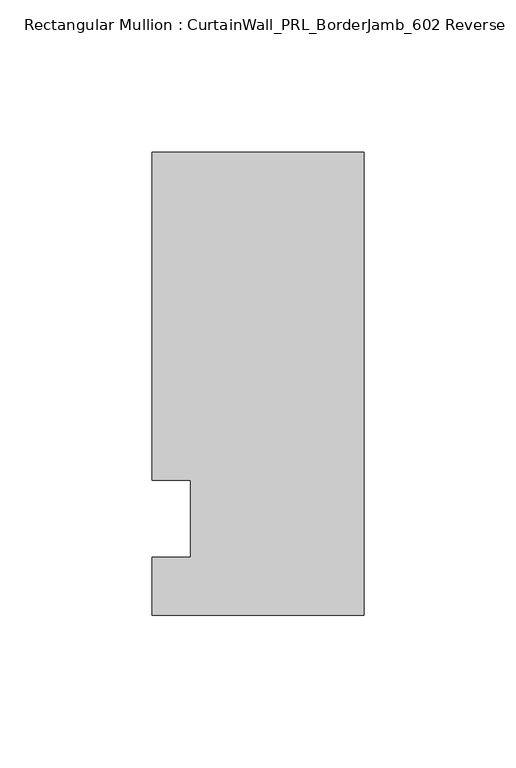
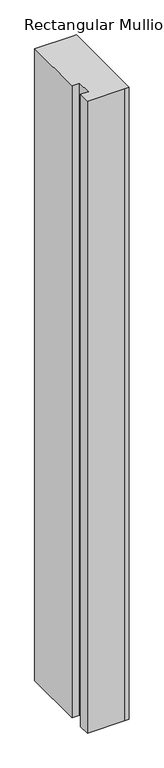
"""IFC4 building model written with IfcOpenShell, lengths in millimetres: member geometry, Rectangular Mullion : CurtainWall_PRL_BorderJamb_602 Reverse."""

from ifc_helpers import new_model, si_unit, frame, origin, place, context, project, spatial, polyline, outline, extrude, source, transform, mapped, element, save


def rectangular_mullion_curtainwall_prl_borderjamb_602_reverse_219b8055(model_context):
    return source(origin(), model_context, "Body", "SweptSolid", [
        extrude(outline(polyline([(-57.15, 12.7), (-69.85, 12.7), (-69.85, 120.65), (-6.35, 120.65), (0.0, 120.65), (0.0, -31.75), (-7.3958824, -31.75), (-69.85, -31.75), (-69.85, -12.7), (-57.15, -12.7), (-57.15, 12.7)])), frame((0.0, 0.0, -1117.6), z_axis=(0.0, 0.0, 1.0), x_axis=(1.0, 0.0, 0.0)), (0.0, 0.0, 1.0), 1117.6),
    ])


if __name__ == "__main__":
    model = new_model("IFC4")
    model_context = context("Model", 3, world=origin())
    ifc_project = project(units=[si_unit("LENGTHUNIT", "METRE", prefix="MILLI")], contexts=[model_context])
    site = spatial("IfcSite", under=ifc_project)
    building = spatial("IfcBuilding", under=site)
    placement = place(None, origin())
    rectangular_mullion_curtainwall_prl_borderjamb_602_reverse_shape = rectangular_mullion_curtainwall_prl_borderjamb_602_reverse_219b8055(model_context)
    element("IfcMember", 1, ObjectType="Rectangular Mullion : CurtainWall_PRL_BorderJamb_602 Reverse", at=placement, inside=building, context=model_context, shape_type="MappedRepresentation", body=[
        mapped(rectangular_mullion_curtainwall_prl_borderjamb_602_reverse_shape, transform((0.0, 0.0, 0.0), x_axis=(1.0, 0.0, 0.0), y_axis=(0.0, 1.0, 0.0), z_axis=(0.0, 0.0, 1.0))),
    ])
    save(model, "model.ifc")
